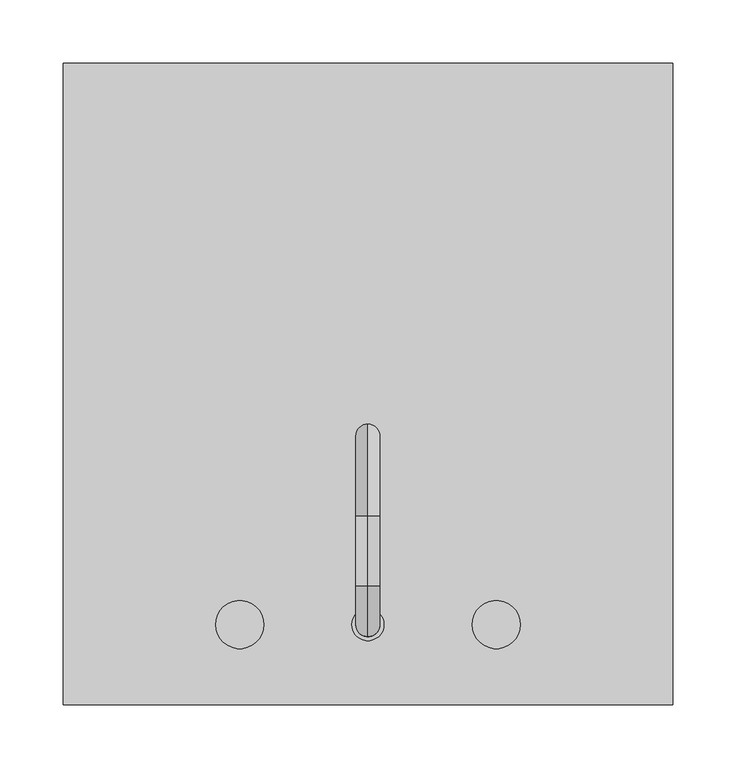
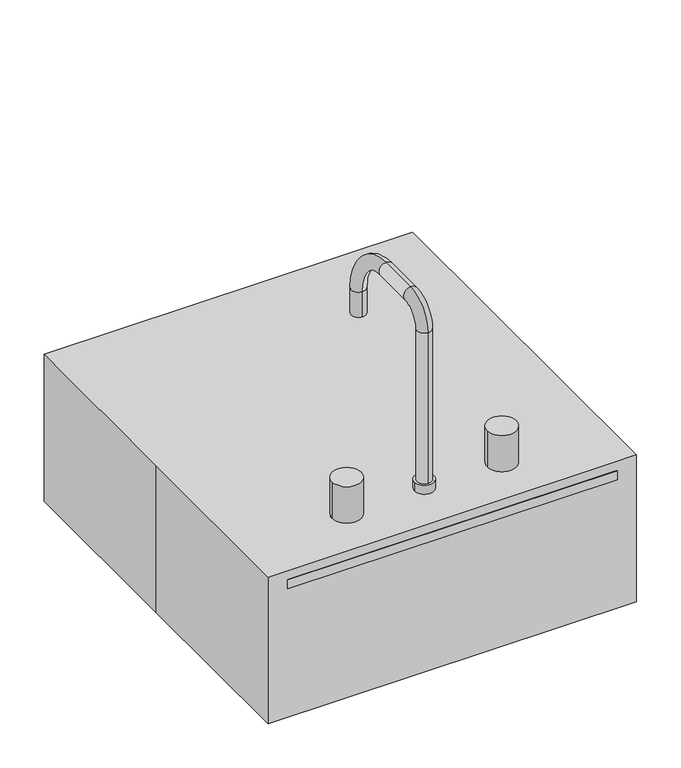
"""IFC4 building model written with IfcOpenShell, lengths in millimetres: proxy geometry."""

import ifcopenshell
import ifcopenshell.guid

model = None  # the IFC model being written
_history = None  # IfcOwnerHistory: only IFC2X3 demands one
_inside = {}  # id of a spatial element -> (the spatial element, [elements in it])
_under = {}  # id of a project, library or spatial element -> (it, [spatial elements below it])
_declared = {}  # id of a project -> (the project, [libraries it declares])
_typed = {}  # id of a type object -> (the type object, [elements of that type])
_made_of = {}  # id of a material, layer set ... -> (it, [elements and type objects made of it])


def new_model(schema):
    """Start an empty IFC model of exactly this schema.

    Asked for "IFC4X3", IfcOpenShell would pick the latest addendum, in which some entities
    have other attributes; the version numbers below select the first issue.
    IFC2X3 requires an IfcOwnerHistory on every rooted entity: one is made here for all.
    """
    global model, _history
    if schema == "IFC4X3":
        model = ifcopenshell.file(schema_version=(4, 3, 0, 0))
    else:
        model = ifcopenshell.file(schema=schema)
    _inside.clear()
    _under.clear()
    _declared.clear()
    _typed.clear()
    _made_of.clear()
    _history = None
    if model.schema == "IFC2X3":
        org = make("IfcOrganization", Name="unknown")
        user = make(
            "IfcPersonAndOrganization",
            ThePerson=make("IfcPerson", FamilyName="unknown"),
            TheOrganization=org,
        )
        app = make(
            "IfcApplication",
            ApplicationDeveloper=org,
            Version="unknown",
            ApplicationFullName="unknown",
            ApplicationIdentifier="unknown",
        )
        _history = make(
            "IfcOwnerHistory",
            OwningUser=user,
            OwningApplication=app,
            ChangeAction="ADDED",
            CreationDate=0,
        )
    return model


def make(cls, **values):
    """One entity of the class cls with the attributes given. An attribute that is None is left unset."""
    return model.create_entity(
        cls, **{name: value for name, value in values.items() if value is not None}
    )


def rooted(cls, **values):
    """An entity with a GlobalId (a new one), such as an element, a storey or a relation."""
    return make(cls, GlobalId=ifcopenshell.guid.new(), OwnerHistory=_history, **values)


def si_unit(unit_type, name, prefix=None):
    """IfcSIUnit, for example si_unit("LENGTHUNIT", "METRE", prefix="MILLI")."""
    return make("IfcSIUnit", UnitType=unit_type, Prefix=prefix, Name=name)


def assignment(units):
    """IfcUnitAssignment: the units of a project."""
    return None if units is None else make("IfcUnitAssignment", Units=units)


def point(xyz):
    """IfcCartesianPoint."""
    return None if xyz is None else make("IfcCartesianPoint", Coordinates=xyz)


def direction(xyz):
    """IfcDirection."""
    return None if xyz is None else make("IfcDirection", DirectionRatios=xyz)


def frame(location, z_axis=None, x_axis=None):
    """IfcAxis2Placement3D, a coordinate frame: its origin and axes. An axis left out is left unset."""
    return make(
        "IfcAxis2Placement3D",
        Location=point(location),
        Axis=direction(z_axis),
        RefDirection=direction(x_axis),
    )


def frame_2d(location, x_axis=None):
    """IfcAxis2Placement2D, a coordinate frame in the plane: its origin and x axis."""
    return make(
        "IfcAxis2Placement2D", Location=point(location), RefDirection=direction(x_axis)
    )


def origin():
    """The frame at (0, 0, 0) with its axes left unset."""
    return frame((0.0, 0.0, 0.0))


def origin_with_axes():
    """The frame at (0, 0, 0) with the z axis (0, 0, 1) and the x axis (1, 0, 0) written out."""
    return frame((0.0, 0.0, 0.0), z_axis=(0.0, 0.0, 1.0), x_axis=(1.0, 0.0, 0.0))


def place(relative_to, where):
    """IfcLocalPlacement: puts the frame where relative to a parent placement (None: the world)."""
    return make(
        "IfcLocalPlacement", PlacementRelTo=relative_to, RelativePlacement=where
    )


def context(
    kind, dimensions, precision=None, world=None, true_north=None, identifier=None
):
    """IfcGeometricRepresentationContext, for example the 3D "Model" context."""
    return make(
        "IfcGeometricRepresentationContext",
        ContextIdentifier=identifier,
        ContextType=kind,
        CoordinateSpaceDimension=dimensions,
        Precision=precision,
        WorldCoordinateSystem=world,
        TrueNorth=true_north,
    )


def project(units=None, contexts=None):
    """IfcProject with its units and contexts."""
    return rooted(
        "IfcProject",
        Name="project",
        RepresentationContexts=contexts,
        UnitsInContext=assignment(units),
    )


def spatial(cls, under=None, at=None, **own):
    """A site, building, storey or space (cls), placed at a placement, below another one or the project."""
    s = rooted(cls, ObjectPlacement=at, **own)
    if under is not None:
        _under.setdefault(under.id(), (under, []))[1].append(s)
    return s


def polyline(points):
    """IfcPolyline through the points."""
    return make("IfcPolyline", Points=[point(p) for p in points])


def circle_curve(where, radius):
    """IfcCircle in the frame where."""
    return make("IfcCircle", Position=where, Radius=radius)


def ellipse_curve(where, semi_axis1, semi_axis2):
    """IfcEllipse in the frame where."""
    return make(
        "IfcEllipse", Position=where, SemiAxis1=semi_axis1, SemiAxis2=semi_axis2
    )


def trimmed(basis, trim1, trim2, sense, master):
    """IfcTrimmedCurve: the piece of a basis curve between two trims."""
    return make(
        "IfcTrimmedCurve",
        BasisCurve=basis,
        Trim1=trim1,
        Trim2=trim2,
        SenseAgreement=sense,
        MasterRepresentation=master,
    )


def segment(curve, same_sense, transition):
    """IfcCompositeCurveSegment."""
    return make(
        "IfcCompositeCurveSegment",
        Transition=transition,
        SameSense=same_sense,
        ParentCurve=curve,
    )


def composite_curve(segments, self_intersect=None):
    """IfcCompositeCurve: segments joined end to end."""
    return make("IfcCompositeCurve", Segments=segments, SelfIntersect=self_intersect)


def outline(outer, holes=None, kind="AREA"):
    """IfcArbitraryClosedProfileDef: a profile drawn as a closed curve; with holes, ...WithVoids."""
    if holes is None:
        return make("IfcArbitraryClosedProfileDef", ProfileType=kind, OuterCurve=outer)
    return make(
        "IfcArbitraryProfileDefWithVoids",
        ProfileType=kind,
        OuterCurve=outer,
        InnerCurves=holes,
    )


def extrude(swept, where, along, depth):
    """IfcExtrudedAreaSolid: the profile swept, set in the frame where, extruded along a direction by depth."""
    return make(
        "IfcExtrudedAreaSolid",
        SweptArea=swept,
        Position=where,
        ExtrudedDirection=direction(along),
        Depth=depth,
    )


def shape(context_of_items, identifier, shape_type, items):
    """IfcShapeRepresentation: the items that make up one representation, for example the "Body"."""
    return make(
        "IfcShapeRepresentation",
        ContextOfItems=context_of_items,
        RepresentationIdentifier=identifier,
        RepresentationType=shape_type,
        Items=items,
    )


def source(mapping_origin, context_of_items, identifier, shape_type, items):
    """IfcRepresentationMap: a shape defined once, which mapped items show again and again."""
    return make(
        "IfcRepresentationMap",
        MappingOrigin=mapping_origin,
        MappedRepresentation=shape(context_of_items, identifier, shape_type, items),
    )


def transform(
    local_origin,
    x_axis=None,
    y_axis=None,
    z_axis=None,
    scale=None,
    scale2=None,
    scale3=None,
    uniform=True,
):
    """IfcCartesianTransformationOperator3D, or its non-uniform kind. x_axis, y_axis, z_axis: its Axis1, 2, 3."""
    if uniform:
        return make(
            "IfcCartesianTransformationOperator3D",
            Axis1=direction(x_axis),
            Axis2=direction(y_axis),
            LocalOrigin=point(local_origin),
            Scale=scale,
            Axis3=direction(z_axis),
        )
    return make(
        "IfcCartesianTransformationOperator3DnonUniform",
        Axis1=direction(x_axis),
        Axis2=direction(y_axis),
        LocalOrigin=point(local_origin),
        Scale=scale,
        Axis3=direction(z_axis),
        Scale2=scale2,
        Scale3=scale3,
    )


def mapped(mapping_source, mapping_target):
    """IfcMappedItem: shows the shape of a source again, moved by a transform."""
    return make(
        "IfcMappedItem", MappingSource=mapping_source, MappingTarget=mapping_target
    )


def made_of(thing, what):
    """Note that an element or type object is made of a material, layer set ...; save() writes the relation."""
    if what is not None:
        _made_of.setdefault(what.id(), (what, []))[1].append(thing)
    return thing


def element(
    cls,
    number,
    at=None,
    inside=None,
    cuts=None,
    type_object=None,
    material=None,
    context=None,
    identifier="Body",
    shape_type=None,
    held_by="IfcProductDefinitionShape",
    body=None,
    shapes=None,
    **own,
):
    """One element of the class cls, such as IfcWall. Its Tag is "e" and its number.

    at: its placement. inside: the storey or other place that contains it. cuts: it is an
    opening in that element (IfcRelVoidsElement). A single representation is given by context,
    identifier, shape_type and body (its items); several are given by shapes. held_by: the class
    of the entity that holds the representations. save() writes the other relations.
    """
    e = rooted(cls, Tag="e%d" % number, ObjectPlacement=at, **own)
    if body is not None:
        shapes = [shape(context, identifier, shape_type, body)]
    if shapes is not None:
        e.Representation = make(held_by, Representations=shapes)
    if inside is not None:
        _inside.setdefault(inside.id(), (inside, []))[1].append(e)
    if cuts is not None:
        rooted(
            "IfcRelVoidsElement", RelatingBuildingElement=cuts, RelatedOpeningElement=e
        )
    if type_object is not None:
        _typed.setdefault(type_object.id(), (type_object, []))[1].append(e)
    return made_of(e, material)


def aggregate(whole, parts):
    """IfcRelAggregates: a whole, such as a stair, and the parts it consists of."""
    return rooted("IfcRelAggregates", RelatingObject=whole, RelatedObjects=parts)


def save(model, path):
    """Write the relations noted so far, then the file.

    IfcRelAggregates (storeys below a building ...), IfcRelContainedInSpatialStructure (elements
    in a storey), IfcRelDefinesByType, IfcRelAssociatesMaterial and IfcRelDeclares: one each for
    every whole, place, type object, material and project.
    """
    for whole, parts in _under.values():
        aggregate(whole, parts)
    for where, things in _inside.values():
        rooted(
            "IfcRelContainedInSpatialStructure",
            RelatedElements=things,
            RelatingStructure=where,
        )
    for kind, things in _typed.values():
        rooted("IfcRelDefinesByType", RelatedObjects=things, RelatingType=kind)
    for what, things in _made_of.values():
        rooted("IfcRelAssociatesMaterial", RelatedObjects=things, RelatingMaterial=what)
    for by, libraries in _declared.values():
        rooted("IfcRelDeclares", RelatingContext=by, RelatedDefinitions=libraries)
    model.write(path)


def plane_surface(at):
    """IfcPlane: the flat surface through the origin of the frame at, square to its z axis."""
    return make("IfcPlane", Position=at)


def cylinder_surface(at, radius):
    """IfcCylindricalSurface: all points at the distance radius from the z axis of the frame at."""
    return make("IfcCylindricalSurface", Position=at, Radius=radius)


def revolved_surface(curve, axis_point, axis_direction):
    """IfcSurfaceOfRevolution: the curve turned about the line through axis_point along axis_direction."""
    return make(
        "IfcSurfaceOfRevolution",
        SweptCurve=make("IfcArbitraryOpenProfileDef", ProfileType="CURVE", Curve=curve),
        AxisPosition=make("IfcAxis1Placement", Location=point(axis_point), Axis=direction(axis_direction)),
    )


def advanced_brep(points, edges, surfaces, faces):
    """IfcAdvancedBrep: a solid bounded by faces that lie on surfaces and meet in shared edges.

    An edge is (start, end): straight between two places in points (the first is 0);
    or (start, end, curve); or (start, end, curve, False) where it runs against its curve.
    A face is (place in surfaces, loops), or (place, loops, False) where it looks against
    its surface's normal. A loop lists edges by number (the first is 1), with a minus sign
    where the edge is run from its end to its start. The first loop is the outer one.
    """
    corners = [point(p) for p in points]
    vertices = [make("IfcVertexPoint", VertexGeometry=c) for c in corners]
    made = []
    for start, end, *more in edges:
        made.append(
            make(
                "IfcEdgeCurve",
                EdgeStart=vertices[start],
                EdgeEnd=vertices[end],
                EdgeGeometry=more[0] if more else make("IfcPolyline", Points=[corners[start], corners[end]]),
                SameSense=more[1] if len(more) > 1 else True,
            )
        )
    hull = []
    for where, loops, *sense in faces:
        bounds = []
        for j, loop in enumerate(loops):
            ring = [make("IfcOrientedEdge", EdgeElement=made[abs(k) - 1], Orientation=k > 0) for k in loop]
            bounds.append(
                make(
                    "IfcFaceOuterBound" if j == 0 else "IfcFaceBound",
                    Bound=make("IfcEdgeLoop", EdgeList=ring),
                    Orientation=True,
                )
            )
        hull.append(make("IfcAdvancedFace", Bounds=bounds, FaceSurface=surfaces[where], SameSense=sense[0] if sense else True))
    return make("IfcAdvancedBrep", Outer=make("IfcClosedShell", CfsFaces=hull))


def specialty_equipment_c9b423af(model_context):
    return source(origin(), model_context, "Body", "SolidModel", [
        advanced_brep(
        [(-215.9, 215.9, 190.5), (-215.9, -254.0, 190.5), (215.9, -254.0, 190.5), (215.9, 215.9, 190.5), (133.35, -139.7, 190.5), (-133.35, -139.7, 190.5), (-177.8, -95.25, 190.5), (-177.8, 133.35, 190.5), (-133.35, 177.8, 190.5), (133.35, 177.8, 190.5), (177.8, 133.35, 190.5), (177.8, -95.25, 190.5), (-120.65, -190.5, 190.5), (-82.55, -190.5, 190.5), (-19.05, -190.5, 190.5), (19.05, -190.5, 190.5), (82.55, -190.5, 190.5), (120.65, -190.5, 190.5), (-215.9, 215.9, 177.8), (215.9, 215.9, 177.8), (215.9, -254.0, 177.8), (-215.9, -254.0, 177.8), (-120.65, -190.5, 177.8), (-82.55, -190.5, 177.8), (-19.05, -190.5, 177.8), (19.05, -190.5, 177.8), (82.55, -190.5, 177.8), (120.65, -190.5, 177.8), (184.15, -95.25, 177.8), (184.15, 133.35, 177.8), (133.35, 184.15, 177.8), (-133.35, 184.15, 177.8), (-184.15, 133.35, 177.8), (-184.15, -95.25, 177.8), (-133.35, -146.05, 177.8), (133.35, -146.05, 177.8), (177.8, -95.25, 177.8), (133.35, -139.7, 177.8), (177.8, 133.35, 177.8), (177.8, 133.35, 6.35), (177.8, -95.25, 6.35), (133.35, 177.8, 177.8), (-133.35, 177.8, 177.8), (-133.35, 177.8, 6.35), (133.35, 177.8, 6.35), (-177.8, 133.35, 177.8), (-177.8, -95.25, 177.8), (-177.8, -95.25, 6.35), (-177.8, 133.35, 6.35), (-133.35, -139.7, 177.8), (133.35, -139.7, 6.35), (-133.35, -139.7, 6.35), (184.15, -95.25, 0.0), (133.35, -146.05, 0.0), (184.15, 133.35, 0.0), (133.35, 184.15, 0.0), (-133.35, 184.15, 0.0), (-184.15, 133.35, 0.0), (-184.15, -95.25, 0.0), (-133.35, -146.05, 0.0), (-19.05, 19.05, 0.0), (19.05, 19.05, 0.0), (-19.05, 19.05, 6.35), (19.05, 19.05, 6.35)],
        [
            (0, 1),
            (1, 2),
            (2, 3),
            (3, 0),
            (4, 5),
            (5, 6, circle_curve(frame((-133.35, -95.25, 190.5), z_axis=(0.0, 0.0, -1.0), x_axis=(1.0, 0.0, 0.0)), 44.45)),
            (6, 7),
            (7, 8, circle_curve(frame((-133.35, 133.35, 190.5), z_axis=(0.0, 0.0, -1.0), x_axis=(1.0, 0.0, 0.0)), 44.45)),
            (8, 9),
            (9, 10, circle_curve(frame((133.35, 133.35, 190.5), z_axis=(0.0, 0.0, -1.0), x_axis=(1.0, 0.0, 0.0)), 44.45)),
            (10, 11),
            (11, 4, circle_curve(frame((133.35, -95.25, 190.5), z_axis=(0.0, 0.0, -1.0), x_axis=(1.0, 0.0, 0.0)), 44.45)),
            (12, 13, circle_curve(frame((-101.6, -190.5, 190.5), z_axis=(0.0, 0.0, -1.0), x_axis=(1.0, 0.0, 0.0)), 19.05)),
            (13, 12, circle_curve(frame((-101.6, -190.5, 190.5), z_axis=(0.0, 0.0, -1.0), x_axis=(1.0, 0.0, 0.0)), 19.05)),
            (14, 15, circle_curve(frame((0.0, -190.5, 190.5), z_axis=(0.0, 0.0, -1.0), x_axis=(1.0, 0.0, 0.0)), 19.05)),
            (15, 14, circle_curve(frame((0.0, -190.5, 190.5), z_axis=(0.0, 0.0, -1.0), x_axis=(1.0, 0.0, 0.0)), 19.05)),
            (16, 17, circle_curve(frame((101.6, -190.5, 190.5), z_axis=(0.0, 0.0, -1.0), x_axis=(1.0, 0.0, 0.0)), 19.05)),
            (17, 16, circle_curve(frame((101.6, -190.5, 190.5), z_axis=(0.0, 0.0, -1.0), x_axis=(1.0, 0.0, 0.0)), 19.05)),
            (18, 19),
            (19, 20),
            (20, 21),
            (21, 18),
            (22, 23, circle_curve(frame((-101.6, -190.5, 177.8), z_axis=(0.0, 0.0, 1.0), x_axis=(1.0, 0.0, 0.0)), 19.05)),
            (23, 22, circle_curve(frame((-101.6, -190.5, 177.8), z_axis=(0.0, 0.0, 1.0), x_axis=(1.0, 0.0, 0.0)), 19.05)),
            (24, 25, circle_curve(frame((0.0, -190.5, 177.8), z_axis=(0.0, 0.0, 1.0), x_axis=(1.0, 0.0, 0.0)), 19.05)),
            (25, 24, circle_curve(frame((0.0, -190.5, 177.8), z_axis=(0.0, 0.0, 1.0), x_axis=(1.0, 0.0, 0.0)), 19.05)),
            (26, 27, circle_curve(frame((101.6, -190.5, 177.8), z_axis=(0.0, 0.0, 1.0), x_axis=(1.0, 0.0, 0.0)), 19.05)),
            (27, 26, circle_curve(frame((101.6, -190.5, 177.8), z_axis=(0.0, 0.0, 1.0), x_axis=(1.0, 0.0, 0.0)), 19.05)),
            (28, 29),
            (29, 30, circle_curve(frame((133.35, 133.35, 177.8), z_axis=(0.0, 0.0, 1.0), x_axis=(1.0, 0.0, 0.0)), 50.8)),
            (30, 31),
            (31, 32, circle_curve(frame((-133.35, 133.35, 177.8), z_axis=(0.0, 0.0, 1.0), x_axis=(0.0, 1.0, 0.0)), 50.8)),
            (32, 33),
            (33, 34, circle_curve(frame((-133.35, -95.25, 177.8), z_axis=(0.0, 0.0, 1.0), x_axis=(-1.0, 0.0, 0.0)), 50.8)),
            (34, 35),
            (35, 28, circle_curve(frame((133.35, -95.25, 177.8), z_axis=(0.0, 0.0, 1.0), x_axis=(0.0, -1.0, 0.0)), 50.8)),
            (3, 19),
            (18, 0),
            (2, 20),
            (1, 21),
            (11, 36),
            (36, 37, circle_curve(frame((133.35, -95.25, 177.8), z_axis=(0.0, 0.0, -1.0), x_axis=(1.0, 0.0, 0.0)), 44.45)),
            (37, 4),
            (10, 38),
            (38, 39),
            (39, 40),
            (40, 36),
            (9, 41),
            (41, 38, circle_curve(frame((133.35, 133.35, 177.8), z_axis=(0.0, 0.0, -1.0), x_axis=(1.0, 0.0, 0.0)), 44.45)),
            (8, 42),
            (42, 43),
            (43, 44),
            (44, 41),
            (7, 45),
            (45, 42, circle_curve(frame((-133.35, 133.35, 177.8), z_axis=(0.0, 0.0, -1.0), x_axis=(1.0, 0.0, 0.0)), 44.45)),
            (6, 46),
            (46, 47),
            (47, 48),
            (48, 45),
            (5, 49),
            (49, 46, circle_curve(frame((-133.35, -95.25, 177.8), z_axis=(0.0, 0.0, -1.0), x_axis=(1.0, 0.0, 0.0)), 44.45)),
            (37, 50),
            (50, 51),
            (51, 49),
            (13, 23),
            (22, 12),
            (15, 25),
            (24, 14),
            (17, 27),
            (26, 16),
            (52, 28),
            (35, 53),
            (53, 52, circle_curve(frame((133.35, -95.25, 0.0), z_axis=(0.0, 0.0, 1.0), x_axis=(0.0, -1.0, 0.0)), 50.8)),
            (40, 50, circle_curve(frame((133.35, -95.25, 6.35), z_axis=(0.0, 0.0, -1.0), x_axis=(0.0, -1.0, 0.0)), 44.45)),
            (52, 54),
            (54, 29),
            (54, 55, circle_curve(frame((133.35, 133.35, 0.0), z_axis=(0.0, 0.0, 1.0), x_axis=(1.0, 0.0, 0.0)), 50.8)),
            (55, 30),
            (44, 39, circle_curve(frame((133.35, 133.35, 6.35), z_axis=(0.0, 0.0, -1.0), x_axis=(1.0, 0.0, 0.0)), 44.45)),
            (55, 56),
            (56, 31),
            (56, 57, circle_curve(frame((-133.35, 133.35, 0.0), z_axis=(0.0, 0.0, 1.0), x_axis=(0.0, 1.0, 0.0)), 50.8)),
            (57, 32),
            (48, 43, circle_curve(frame((-133.35, 133.35, 6.35), z_axis=(0.0, 0.0, -1.0), x_axis=(0.0, 1.0, 0.0)), 44.45)),
            (57, 58),
            (58, 33),
            (58, 59, circle_curve(frame((-133.35, -95.25, 0.0), z_axis=(0.0, 0.0, 1.0), x_axis=(-1.0, 0.0, 0.0)), 50.8)),
            (59, 34),
            (51, 47, circle_curve(frame((-133.35, -95.25, 6.35), z_axis=(0.0, 0.0, -1.0), x_axis=(-1.0, 0.0, 0.0)), 44.45)),
            (59, 53),
            (60, 61, circle_curve(frame((0.0, 19.05, 0.0), z_axis=(0.0, 0.0, 1.0), x_axis=(1.0, 0.0, 0.0)), 19.05)),
            (61, 60, circle_curve(frame((0.0, 19.05, 0.0), z_axis=(0.0, 0.0, 1.0), x_axis=(1.0, 0.0, 0.0)), 19.05)),
            (62, 63, circle_curve(frame((0.0, 19.05, 6.35), z_axis=(0.0, 0.0, -1.0), x_axis=(1.0, 0.0, 0.0)), 19.05)),
            (63, 62, circle_curve(frame((0.0, 19.05, 6.35), z_axis=(0.0, 0.0, -1.0), x_axis=(1.0, 0.0, 0.0)), 19.05)),
            (63, 61),
            (60, 62),
        ],
        [
            plane_surface(frame((215.9, 215.9, 190.5), z_axis=(0.0, 0.0, 1.0), x_axis=(1.0, 0.0, 0.0))),
            plane_surface(frame((215.9, 215.9, 177.8), z_axis=(0.0, 0.0, -1.0), x_axis=(-1.0, 0.0, 0.0))),
            plane_surface(frame((-215.9, 215.9, 190.5), z_axis=(0.0, 1.0, 0.0), x_axis=(0.0, 0.0, -1.0))),
            plane_surface(frame((215.9, 215.9, 190.5), z_axis=(1.0, 0.0, 0.0), x_axis=(0.0, 0.0, -1.0))),
            plane_surface(frame((215.9, -254.0, 190.5), z_axis=(0.0, -1.0, 0.0), x_axis=(0.0, 0.0, -1.0))),
            plane_surface(frame((-215.9, -254.0, 190.5), z_axis=(-1.0, 0.0, 0.0), x_axis=(0.0, 0.0, -1.0))),
            revolved_surface(polyline([(177.8, -95.25, 177.8), (177.8, -95.25, 190.5)]), (133.35, -95.25, 177.8), (0.0, 0.0, -1.0)),
            plane_surface(frame((177.8, -95.25, 190.5), z_axis=(-1.0, 0.0, 0.0), x_axis=(0.0, 0.0, -1.0))),
            revolved_surface(polyline([(177.8, 133.35, 177.8), (177.8, 133.35, 190.5)]), (133.35, 133.35, 177.8), (0.0, 0.0, -1.0)),
            plane_surface(frame((133.35, 177.8, 190.5), z_axis=(0.0, -1.0, 0.0), x_axis=(0.0, 0.0, -1.0))),
            revolved_surface(polyline([(-88.89999999999999, 133.35, 177.8), (-88.89999999999999, 133.35, 190.5)]), (-133.35, 133.35, 177.8), (0.0, 0.0, -1.0)),
            plane_surface(frame((-177.8, 133.35, 190.5), z_axis=(1.0, 0.0, 0.0), x_axis=(0.0, 0.0, -1.0))),
            revolved_surface(polyline([(-88.89999999999999, -95.25, 177.8), (-88.89999999999999, -95.25, 190.5)]), (-133.35, -95.25, 177.8), (0.0, 0.0, -1.0)),
            plane_surface(frame((-133.35, -139.7, 190.5), z_axis=(0.0, 1.0, 0.0), x_axis=(0.0, 0.0, -1.0))),
            revolved_surface(polyline([(-82.55, -190.5, 177.8), (-82.55, -190.5, 190.5)]), (-101.6, -190.5, 177.8), (0.0, 0.0, -1.0)),
            revolved_surface(polyline([(19.05, -190.5, 177.8), (19.05, -190.5, 190.5)]), (0.0, -190.5, 177.8), (0.0, 0.0, -1.0)),
            revolved_surface(polyline([(120.64999999999999, -190.5, 177.8), (120.64999999999999, -190.5, 190.5)]), (101.6, -190.5, 177.8), (0.0, 0.0, -1.0)),
            cylinder_surface(frame((133.35, -95.25, 190.5), z_axis=(0.0, 0.0, -1.0), x_axis=(0.0, -1.0, 0.0)), 50.8),
            revolved_surface(polyline([(133.35, -139.7, 6.349999999999994), (133.35, -139.7, 177.8)]), (133.35, -95.25, 190.5), (0.0, 0.0, -1.0)),
            plane_surface(frame((184.15, -95.25, 177.8), z_axis=(1.0, 0.0, 0.0), x_axis=(0.0, 1.0, 0.0))),
            cylinder_surface(frame((133.35, 133.35, 190.5), z_axis=(0.0, 0.0, -1.0), x_axis=(1.0, 0.0, 0.0)), 50.8),
            revolved_surface(polyline([(177.8, 133.35, 6.349999999999994), (177.8, 133.35, 177.8)]), (133.35, 133.35, 190.5), (0.0, 0.0, -1.0)),
            plane_surface(frame((133.35, 184.15, 177.8), z_axis=(0.0, 1.0, 0.0), x_axis=(-1.0, 0.0, 0.0))),
            cylinder_surface(frame((-133.35, 133.35, 190.5), z_axis=(0.0, 0.0, -1.0), x_axis=(0.0, 1.0, 0.0)), 50.8),
            revolved_surface(polyline([(-133.35, 177.8, 6.349999999999994), (-133.35, 177.8, 177.8)]), (-133.35, 133.35, 190.5), (0.0, 0.0, -1.0)),
            plane_surface(frame((-184.15, 133.35, 177.8), z_axis=(-1.0, 0.0, 0.0), x_axis=(0.0, -1.0, 0.0))),
            cylinder_surface(frame((-133.35, -95.25, 190.5), z_axis=(0.0, 0.0, -1.0), x_axis=(-1.0, 0.0, 0.0)), 50.8),
            revolved_surface(polyline([(-177.8, -95.25, 6.349999999999994), (-177.8, -95.25, 177.8)]), (-133.35, -95.25, 190.5), (0.0, 0.0, -1.0)),
            plane_surface(frame((-133.35, -146.05, 177.8), z_axis=(0.0, -1.0, 0.0), x_axis=(1.0, 0.0, 0.0))),
            plane_surface(frame((-133.35, -146.05, 0.0), z_axis=(0.0, 0.0, -1.0), x_axis=(1.0, 0.0, 0.0))),
            plane_surface(frame((-88.9, -95.25, 6.35), z_axis=(0.0, 0.0, 1.0), x_axis=(0.0, -1.0, 0.0))),
            revolved_surface(polyline([(19.05, 19.05, 0.0), (19.05, 19.05, 6.35)]), (0.0, 19.05, 0.0), (0.0, 0.0, -1.0)),
        ],
        [
            (0, [[1, 2, 3, 4], [5, 6, 7, 8, 9, 10, 11, 12], [13, 14], [15, 16], [17, 18]]),
            (1, [[19, 20, 21, 22], [23, 24], [25, 26], [27, 28], [29, 30, 31, 32, 33, 34, 35, 36]]),
            (2, [[37, -19, 38, -4]]),
            (3, [[39, -20, -37, -3]]),
            (4, [[40, -21, -39, -2]]),
            (5, [[-38, -22, -40, -1]]),
            (6, [[41, 42, 43, -12]]),
            (7, [[44, 45, 46, 47, -41, -11]]),
            (8, [[48, 49, -44, -10]]),
            (9, [[50, 51, 52, 53, -48, -9]]),
            (10, [[54, 55, -50, -8]]),
            (11, [[56, 57, 58, 59, -54, -7]]),
            (12, [[60, 61, -56, -6]]),
            (13, [[-43, 62, 63, 64, -60, -5]]),
            (14, [[65, -23, 66, -14]]),
            (14, [[-66, -24, -65, -13]]),
            (15, [[67, -25, 68, -16]]),
            (15, [[-68, -26, -67, -15]]),
            (16, [[69, -27, 70, -18]]),
            (16, [[-70, -28, -69, -17]]),
            (17, [[71, -36, 72, 73]]),
            (18, [[-47, 74, -62, -42]]),
            (19, [[75, 76, -29, -71]]),
            (20, [[77, 78, -30, -76]]),
            (21, [[-53, 79, -45, -49]]),
            (22, [[80, 81, -31, -78]]),
            (23, [[82, 83, -32, -81]]),
            (24, [[-59, 84, -51, -55]]),
            (25, [[85, 86, -33, -83]]),
            (26, [[87, 88, -34, -86]]),
            (27, [[-64, 89, -57, -61]]),
            (28, [[-35, -88, 90, -72]]),
            (29, [[-90, -87, -85, -82, -80, -77, -75, -73], [91, 92]]),
            (30, [[-79, -52, -84, -58, -89, -63, -74, -46], [93, 94]]),
            (31, [[95, -91, 96, -94]]),
            (31, [[-96, -92, -95, -93]]),
        ],
    ),
        extrude(outline(polyline([(-241.3, -254.0), (-241.3, 0.0), (-241.3, 254.0), (241.3, 254.0), (241.3, -254.0), (-241.3, -254.0)])), origin_with_axes(), (0.0, 0.0, 1.0), 203.2),
        advanced_brep(
        [(0.0, -200.025, 203.2), (0.0, -180.975, 203.2), (0.0, -180.975, 423.8625), (0.0, -200.025, 423.8625), (0.0, -160.3375, 444.5), (0.0, -160.3375, 463.55), (0.0, -104.775, 444.5), (0.0, -104.775, 463.55), (0.0, -50.8, 390.525), (0.0, -31.75, 390.525), (0.0, -31.75, 355.6), (0.0, -50.8, 355.6)],
        [
            (0, 1, circle_curve(frame((0.0, -190.5, 203.2), z_axis=(0.0, 0.0, -1.0), x_axis=(0.0, 1.0, 0.0)), 9.525)),
            (1, 0, circle_curve(frame((0.0, -190.5, 203.2), z_axis=(0.0, 0.0, -1.0), x_axis=(0.0, 1.0, 0.0)), 9.525)),
            (1, 2),
            (2, 3, circle_curve(frame((0.0, -190.5, 423.8625), z_axis=(0.0, 0.0, -1.0), x_axis=(0.0, 1.0, 0.0)), 9.525)),
            (3, 0),
            (3, 2, circle_curve(frame((0.0, -190.5, 423.8625), z_axis=(0.0, 0.0, -1.0), x_axis=(0.0, 1.0, 0.0)), 9.525)),
            (4, 5, circle_curve(frame((0.0, -160.3375, 454.025), z_axis=(0.0, -1.0, 0.0), x_axis=(0.0, 0.0, -1.0)), 9.525)),
            (5, 3, circle_curve(frame((0.0, -160.3375, 423.8625), z_axis=(1.0, 0.0, 0.0), x_axis=(0.0, -1.0, 0.0)), 39.6875)),
            (2, 4, circle_curve(frame((0.0, -160.3375, 423.8625), z_axis=(-1.0, 0.0, 0.0), x_axis=(0.0, -1.0, 0.0)), 20.6375)),
            (5, 4, circle_curve(frame((0.0, -160.3375, 454.025), z_axis=(0.0, -1.0, 0.0), x_axis=(0.0, 0.0, -1.0)), 9.525)),
            (4, 6),
            (6, 7, circle_curve(frame((0.0, -104.775, 454.025), z_axis=(0.0, -1.0, 0.0), x_axis=(0.0, 0.0, -1.0)), 9.525)),
            (7, 5),
            (7, 6, circle_curve(frame((0.0, -104.775, 454.025), z_axis=(0.0, -1.0, 0.0), x_axis=(0.0, 0.0, -1.0)), 9.525)),
            (8, 9, circle_curve(frame((0.0, -41.275, 390.525), z_axis=(0.0, 0.0, 1.0), x_axis=(0.0, -1.0, 0.0)), 9.525)),
            (9, 7, circle_curve(frame((0.0, -104.775, 390.525), z_axis=(1.0, 0.0, 0.0), x_axis=(0.0, 0.0, 1.0)), 73.025)),
            (6, 8, circle_curve(frame((0.0, -104.775, 390.525), z_axis=(-1.0, 0.0, 0.0), x_axis=(0.0, 0.0, 1.0)), 53.975)),
            (9, 8, circle_curve(frame((0.0, -41.275, 390.525), z_axis=(0.0, 0.0, 1.0), x_axis=(0.0, -1.0, 0.0)), 9.525)),
            (10, 11, circle_curve(frame((0.0, -41.275, 355.6), z_axis=(0.0, 0.0, -1.0), x_axis=(0.0, -1.0, 0.0)), 9.525)),
            (11, 10, circle_curve(frame((0.0, -41.275, 355.6), z_axis=(0.0, 0.0, -1.0), x_axis=(0.0, -1.0, 0.0)), 9.525)),
            (8, 11),
            (10, 9),
        ],
        [
            plane_surface(frame((0.0, -180.975, 203.2), z_axis=(0.0, 0.0, -1.0), x_axis=(1.0, 0.0, 0.0))),
            cylinder_surface(frame((0.0, -190.5, 203.2), z_axis=(0.0, 0.0, -1.0), x_axis=(0.0, 1.0, 0.0)), 9.525),
            revolved_surface(trimmed(ellipse_curve(frame((0.0, -190.5, 423.8625), z_axis=(0.0, 0.0, 1.0), x_axis=(0.0, 1.0, 0.0)), 9.525, 9.525), [point((0.0, -200.025, 423.8625))], [point((0.0, -180.975, 423.8625))], True, "CARTESIAN"), (0.0, -160.3375, 423.8625), (1.0, 0.0, 0.0)),
            revolved_surface(trimmed(ellipse_curve(frame((0.0, -190.5, 423.8625), z_axis=(0.0, 0.0, 1.0), x_axis=(0.0, 1.0, 0.0)), 9.525, 9.525), [point((0.0, -180.975, 423.8625))], [point((0.0, -200.025, 423.8625))], True, "CARTESIAN"), (0.0, -160.3375, 423.8625), (1.0, 0.0, 0.0)),
            cylinder_surface(frame((0.0, -160.3375, 454.025), z_axis=(0.0, -1.0, 0.0), x_axis=(0.0, 0.0, -1.0)), 9.525),
            revolved_surface(trimmed(ellipse_curve(frame((0.0, -104.775, 454.025), z_axis=(0.0, 1.0, 0.0), x_axis=(0.0, 0.0, -1.0)), 9.525, 9.525), [point((0.0, -104.775, 463.55))], [point((0.0, -104.775, 444.5))], True, "CARTESIAN"), (0.0, -104.775, 390.525), (1.0, 0.0, 0.0)),
            revolved_surface(trimmed(ellipse_curve(frame((0.0, -104.775, 454.025), z_axis=(0.0, 1.0, 0.0), x_axis=(0.0, 0.0, -1.0)), 9.525, 9.525), [point((0.0, -104.775, 444.5))], [point((0.0, -104.775, 463.55))], True, "CARTESIAN"), (0.0, -104.775, 390.525), (1.0, 0.0, 0.0)),
            plane_surface(frame((0.0, -31.75, 355.6), z_axis=(0.0, 0.0, -1.0), x_axis=(-1.0, 0.0, 0.0))),
            cylinder_surface(frame((0.0, -41.275, 390.525), z_axis=(0.0, 0.0, 1.0), x_axis=(0.0, -1.0, 0.0)), 9.525),
        ],
        [
            (0, [[1, 2]]),
            (1, [[3, 4, 5, -2]]),
            (1, [[-5, 6, -3, -1]]),
            (2, [[7, 8, -4, 9]]),
            (3, [[10, -9, -6, -8]]),
            (4, [[11, 12, 13, -7]]),
            (4, [[-13, 14, -11, -10]]),
            (5, [[15, 16, -12, 17]]),
            (6, [[18, -17, -14, -16]]),
            (7, [[19, 20]]),
            (8, [[21, -19, 22, -15]]),
            (8, [[-22, -20, -21, -18]]),
        ],
    ),
        extrude(outline(composite_curve([segment(trimmed(circle_curve(frame_2d((0.0, -190.5)), 12.7), [point((-12.7, -190.5))], [point((12.7, -190.5))], False, "CARTESIAN"), True, "CONTINUOUS"), segment(trimmed(circle_curve(frame_2d((0.0, -190.5)), 12.7), [point((12.7, -190.5))], [point((-12.7, -190.5))], False, "CARTESIAN"), True, "CONTINUOUS")], self_intersect=False), holes=[composite_curve([segment(trimmed(circle_curve(frame_2d((0.0, -190.5)), 9.525), [point((-9.525, -190.5))], [point((9.525, -190.5))], True, "CARTESIAN"), True, "CONTINUOUS"), segment(trimmed(circle_curve(frame_2d((0.0, -190.5)), 9.525), [point((9.525, -190.5))], [point((-9.525, -190.5))], True, "CARTESIAN"), True, "CONTINUOUS")], self_intersect=False)]), frame((0.0, 0.0, 203.2), z_axis=(0.0, 0.0, 1.0), x_axis=(1.0, 0.0, 0.0)), (0.0, 0.0, 1.0), 12.7),
        extrude(outline(composite_curve([segment(trimmed(circle_curve(frame_2d((-101.6, -190.5)), 19.05), [point((-120.65, -190.5))], [point((-82.55, -190.5))], False, "CARTESIAN"), True, "CONTINUOUS"), segment(trimmed(circle_curve(frame_2d((-101.6, -190.5)), 19.05), [point((-82.55, -190.5))], [point((-120.65, -190.5))], False, "CARTESIAN"), True, "CONTINUOUS")], self_intersect=False)), frame((0.0, 0.0, 203.2), z_axis=(0.0, 0.0, 1.0), x_axis=(1.0, 0.0, 0.0)), (0.0, 0.0, 1.0), 50.8),
        extrude(outline(composite_curve([segment(trimmed(circle_curve(frame_2d((101.6, -190.5)), 19.05), [point((82.55, -190.5))], [point((120.65, -190.5))], False, "CARTESIAN"), True, "CONTINUOUS"), segment(trimmed(circle_curve(frame_2d((101.6, -190.5)), 19.05), [point((120.65, -190.5))], [point((82.55, -190.5))], False, "CARTESIAN"), True, "CONTINUOUS")], self_intersect=False)), frame((0.0, 0.0, 203.2), z_axis=(0.0, 0.0, 1.0), x_axis=(1.0, 0.0, 0.0)), (0.0, 0.0, 1.0), 50.8),
        extrude(outline(composite_curve([segment(polyline([(101.6, -209.55), (-101.6, -209.55)]), True, "CONTINUOUS"), segment(trimmed(circle_curve(frame_2d((-101.6, -190.5)), 19.05), [point((-101.6, -209.55))], [point((-101.6, -171.45))], False, "CARTESIAN"), True, "CONTINUOUS"), segment(polyline([(-101.6, -171.45), (101.6, -171.45)]), True, "CONTINUOUS"), segment(trimmed(circle_curve(frame_2d((101.6, -190.5)), 19.05), [point((101.6, -171.45))], [point((101.6, -209.55))], False, "CARTESIAN"), True, "CONTINUOUS")], self_intersect=False), holes=[composite_curve([segment(trimmed(circle_curve(frame_2d((0.0, -190.5)), 9.525), [point((-9.525, -190.5))], [point((9.525, -190.5))], True, "CARTESIAN"), True, "CONTINUOUS"), segment(trimmed(circle_curve(frame_2d((0.0, -190.5)), 9.525), [point((9.525, -190.5))], [point((-9.525, -190.5))], True, "CARTESIAN"), True, "CONTINUOUS")], self_intersect=False)]), frame((0.0, 0.0, 190.5), z_axis=(0.0, 0.0, 1.0), x_axis=(1.0, 0.0, 0.0)), (0.0, 0.0, 1.0), 12.7),
    ])


if __name__ == "__main__":
    model = new_model("IFC4")
    model_context = context("Model", 3, world=origin())
    ifc_project = project(units=[si_unit("LENGTHUNIT", "METRE", prefix="MILLI")], contexts=[model_context])
    site = spatial("IfcSite", under=ifc_project)
    building = spatial("IfcBuilding", under=site)
    placement = place(None, origin())
    specialty_equipment_shape = specialty_equipment_c9b423af(model_context)
    element("IfcBuildingElementProxy", 1, Name="Specialty Equipment", at=placement, inside=building, context=model_context, shape_type="MappedRepresentation", body=[
        mapped(specialty_equipment_shape, transform((0.0, 0.0, 0.0), x_axis=(1.0, 0.0, 0.0), y_axis=(0.0, 1.0, 0.0), z_axis=(0.0, 0.0, 1.0))),
    ])
    save(model, "model.ifc")
